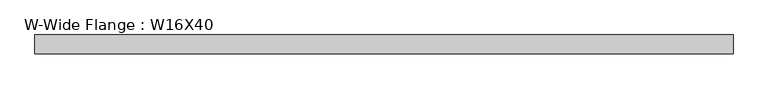
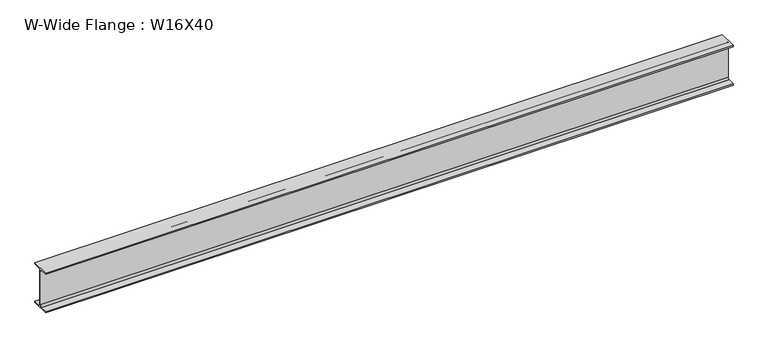
"""IFC4 building model written with IfcOpenShell, lengths in millimetres: beam geometry, W-Wide Flange : W16X40."""

import ifcopenshell
import ifcopenshell.guid

model = None  # the IFC model being written
_history = None  # IfcOwnerHistory: only IFC2X3 demands one
_inside = {}  # id of a spatial element -> (the spatial element, [elements in it])
_under = {}  # id of a project, library or spatial element -> (it, [spatial elements below it])
_declared = {}  # id of a project -> (the project, [libraries it declares])
_typed = {}  # id of a type object -> (the type object, [elements of that type])
_made_of = {}  # id of a material, layer set ... -> (it, [elements and type objects made of it])


def new_model(schema):
    """Start an empty IFC model of exactly this schema.

    Asked for "IFC4X3", IfcOpenShell would pick the latest addendum, in which some entities
    have other attributes; the version numbers below select the first issue.
    IFC2X3 requires an IfcOwnerHistory on every rooted entity: one is made here for all.
    """
    global model, _history
    if schema == "IFC4X3":
        model = ifcopenshell.file(schema_version=(4, 3, 0, 0))
    else:
        model = ifcopenshell.file(schema=schema)
    _inside.clear()
    _under.clear()
    _declared.clear()
    _typed.clear()
    _made_of.clear()
    _history = None
    if model.schema == "IFC2X3":
        org = make("IfcOrganization", Name="unknown")
        user = make(
            "IfcPersonAndOrganization",
            ThePerson=make("IfcPerson", FamilyName="unknown"),
            TheOrganization=org,
        )
        app = make(
            "IfcApplication",
            ApplicationDeveloper=org,
            Version="unknown",
            ApplicationFullName="unknown",
            ApplicationIdentifier="unknown",
        )
        _history = make(
            "IfcOwnerHistory",
            OwningUser=user,
            OwningApplication=app,
            ChangeAction="ADDED",
            CreationDate=0,
        )
    return model


def make(cls, **values):
    """One entity of the class cls with the attributes given. An attribute that is None is left unset."""
    return model.create_entity(
        cls, **{name: value for name, value in values.items() if value is not None}
    )


def rooted(cls, **values):
    """An entity with a GlobalId (a new one), such as an element, a storey or a relation."""
    return make(cls, GlobalId=ifcopenshell.guid.new(), OwnerHistory=_history, **values)


def si_unit(unit_type, name, prefix=None):
    """IfcSIUnit, for example si_unit("LENGTHUNIT", "METRE", prefix="MILLI")."""
    return make("IfcSIUnit", UnitType=unit_type, Prefix=prefix, Name=name)


def assignment(units):
    """IfcUnitAssignment: the units of a project."""
    return None if units is None else make("IfcUnitAssignment", Units=units)


def point(xyz):
    """IfcCartesianPoint."""
    return None if xyz is None else make("IfcCartesianPoint", Coordinates=xyz)


def direction(xyz):
    """IfcDirection."""
    return None if xyz is None else make("IfcDirection", DirectionRatios=xyz)


def frame(location, z_axis=None, x_axis=None):
    """IfcAxis2Placement3D, a coordinate frame: its origin and axes. An axis left out is left unset."""
    return make(
        "IfcAxis2Placement3D",
        Location=point(location),
        Axis=direction(z_axis),
        RefDirection=direction(x_axis),
    )


def frame_2d(location, x_axis=None):
    """IfcAxis2Placement2D, a coordinate frame in the plane: its origin and x axis."""
    return make(
        "IfcAxis2Placement2D", Location=point(location), RefDirection=direction(x_axis)
    )


def origin():
    """The frame at (0, 0, 0) with its axes left unset."""
    return frame((0.0, 0.0, 0.0))


def place(relative_to, where):
    """IfcLocalPlacement: puts the frame where relative to a parent placement (None: the world)."""
    return make(
        "IfcLocalPlacement", PlacementRelTo=relative_to, RelativePlacement=where
    )


def context(
    kind, dimensions, precision=None, world=None, true_north=None, identifier=None
):
    """IfcGeometricRepresentationContext, for example the 3D "Model" context."""
    return make(
        "IfcGeometricRepresentationContext",
        ContextIdentifier=identifier,
        ContextType=kind,
        CoordinateSpaceDimension=dimensions,
        Precision=precision,
        WorldCoordinateSystem=world,
        TrueNorth=true_north,
    )


def project(units=None, contexts=None):
    """IfcProject with its units and contexts."""
    return rooted(
        "IfcProject",
        Name="project",
        RepresentationContexts=contexts,
        UnitsInContext=assignment(units),
    )


def spatial(cls, under=None, at=None, **own):
    """A site, building, storey or space (cls), placed at a placement, below another one or the project."""
    s = rooted(cls, ObjectPlacement=at, **own)
    if under is not None:
        _under.setdefault(under.id(), (under, []))[1].append(s)
    return s


def polyline(points):
    """IfcPolyline through the points."""
    return make("IfcPolyline", Points=[point(p) for p in points])


def circle_curve(where, radius):
    """IfcCircle in the frame where."""
    return make("IfcCircle", Position=where, Radius=radius)


def trimmed(basis, trim1, trim2, sense, master):
    """IfcTrimmedCurve: the piece of a basis curve between two trims."""
    return make(
        "IfcTrimmedCurve",
        BasisCurve=basis,
        Trim1=trim1,
        Trim2=trim2,
        SenseAgreement=sense,
        MasterRepresentation=master,
    )


def segment(curve, same_sense, transition):
    """IfcCompositeCurveSegment."""
    return make(
        "IfcCompositeCurveSegment",
        Transition=transition,
        SameSense=same_sense,
        ParentCurve=curve,
    )


def composite_curve(segments, self_intersect=None):
    """IfcCompositeCurve: segments joined end to end."""
    return make("IfcCompositeCurve", Segments=segments, SelfIntersect=self_intersect)


def outline(outer, holes=None, kind="AREA"):
    """IfcArbitraryClosedProfileDef: a profile drawn as a closed curve; with holes, ...WithVoids."""
    if holes is None:
        return make("IfcArbitraryClosedProfileDef", ProfileType=kind, OuterCurve=outer)
    return make(
        "IfcArbitraryProfileDefWithVoids",
        ProfileType=kind,
        OuterCurve=outer,
        InnerCurves=holes,
    )


def extrude(swept, where, along, depth):
    """IfcExtrudedAreaSolid: the profile swept, set in the frame where, extruded along a direction by depth."""
    return make(
        "IfcExtrudedAreaSolid",
        SweptArea=swept,
        Position=where,
        ExtrudedDirection=direction(along),
        Depth=depth,
    )


def shape(context_of_items, identifier, shape_type, items):
    """IfcShapeRepresentation: the items that make up one representation, for example the "Body"."""
    return make(
        "IfcShapeRepresentation",
        ContextOfItems=context_of_items,
        RepresentationIdentifier=identifier,
        RepresentationType=shape_type,
        Items=items,
    )


def source(mapping_origin, context_of_items, identifier, shape_type, items):
    """IfcRepresentationMap: a shape defined once, which mapped items show again and again."""
    return make(
        "IfcRepresentationMap",
        MappingOrigin=mapping_origin,
        MappedRepresentation=shape(context_of_items, identifier, shape_type, items),
    )


def transform(
    local_origin,
    x_axis=None,
    y_axis=None,
    z_axis=None,
    scale=None,
    scale2=None,
    scale3=None,
    uniform=True,
):
    """IfcCartesianTransformationOperator3D, or its non-uniform kind. x_axis, y_axis, z_axis: its Axis1, 2, 3."""
    if uniform:
        return make(
            "IfcCartesianTransformationOperator3D",
            Axis1=direction(x_axis),
            Axis2=direction(y_axis),
            LocalOrigin=point(local_origin),
            Scale=scale,
            Axis3=direction(z_axis),
        )
    return make(
        "IfcCartesianTransformationOperator3DnonUniform",
        Axis1=direction(x_axis),
        Axis2=direction(y_axis),
        LocalOrigin=point(local_origin),
        Scale=scale,
        Axis3=direction(z_axis),
        Scale2=scale2,
        Scale3=scale3,
    )


def mapped(mapping_source, mapping_target):
    """IfcMappedItem: shows the shape of a source again, moved by a transform."""
    return make(
        "IfcMappedItem", MappingSource=mapping_source, MappingTarget=mapping_target
    )


def made_of(thing, what):
    """Note that an element or type object is made of a material, layer set ...; save() writes the relation."""
    if what is not None:
        _made_of.setdefault(what.id(), (what, []))[1].append(thing)
    return thing


def element(
    cls,
    number,
    at=None,
    inside=None,
    cuts=None,
    type_object=None,
    material=None,
    context=None,
    identifier="Body",
    shape_type=None,
    held_by="IfcProductDefinitionShape",
    body=None,
    shapes=None,
    **own,
):
    """One element of the class cls, such as IfcWall. Its Tag is "e" and its number.

    at: its placement. inside: the storey or other place that contains it. cuts: it is an
    opening in that element (IfcRelVoidsElement). A single representation is given by context,
    identifier, shape_type and body (its items); several are given by shapes. held_by: the class
    of the entity that holds the representations. save() writes the other relations.
    """
    e = rooted(cls, Tag="e%d" % number, ObjectPlacement=at, **own)
    if body is not None:
        shapes = [shape(context, identifier, shape_type, body)]
    if shapes is not None:
        e.Representation = make(held_by, Representations=shapes)
    if inside is not None:
        _inside.setdefault(inside.id(), (inside, []))[1].append(e)
    if cuts is not None:
        rooted(
            "IfcRelVoidsElement", RelatingBuildingElement=cuts, RelatedOpeningElement=e
        )
    if type_object is not None:
        _typed.setdefault(type_object.id(), (type_object, []))[1].append(e)
    return made_of(e, material)


def aggregate(whole, parts):
    """IfcRelAggregates: a whole, such as a stair, and the parts it consists of."""
    return rooted("IfcRelAggregates", RelatingObject=whole, RelatedObjects=parts)


def save(model, path):
    """Write the relations noted so far, then the file.

    IfcRelAggregates (storeys below a building ...), IfcRelContainedInSpatialStructure (elements
    in a storey), IfcRelDefinesByType, IfcRelAssociatesMaterial and IfcRelDeclares: one each for
    every whole, place, type object, material and project.
    """
    for whole, parts in _under.values():
        aggregate(whole, parts)
    for where, things in _inside.values():
        rooted(
            "IfcRelContainedInSpatialStructure",
            RelatedElements=things,
            RelatingStructure=where,
        )
    for kind, things in _typed.values():
        rooted("IfcRelDefinesByType", RelatedObjects=things, RelatingType=kind)
    for what, things in _made_of.values():
        rooted("IfcRelAssociatesMaterial", RelatedObjects=things, RelatingMaterial=what)
    for by, libraries in _declared.values():
        rooted("IfcRelDeclares", RelatingContext=by, RelatedDefinitions=libraries)
    model.write(path)


def w_wide_flange_w16x40_1b4f8b8e(model_context):
    return source(origin(), model_context, "Body", "SweptSolid", [
        extrude(outline(composite_curve([segment(polyline([(-88.9, -190.4), (-21.25, -190.4)]), True, "CONTINUOUS"), segment(trimmed(circle_curve(frame_2d((-21.25, -173.0)), 17.4), [point((-21.25, -190.4))], [point((-3.85, -173.0))], True, "CARTESIAN"), True, "CONTINUOUS"), segment(polyline([(-3.85, -173.0), (-3.85, 173.0)]), True, "CONTINUOUS"), segment(trimmed(circle_curve(frame_2d((-21.25, 173.0)), 17.4), [point((-3.85, 173.0))], [point((-21.25, 190.4))], True, "CARTESIAN"), True, "CONTINUOUS"), segment(polyline([(-21.25, 190.4), (-88.9, 190.4), (-88.9, 203.2), (88.9, 203.2), (88.9, 190.4), (21.25, 190.4)]), True, "CONTINUOUS"), segment(trimmed(circle_curve(frame_2d((21.25, 173.0)), 17.4), [point((21.25, 190.4))], [point((3.85, 173.0))], True, "CARTESIAN"), True, "CONTINUOUS"), segment(polyline([(3.85, 173.0), (3.85, -173.0)]), True, "CONTINUOUS"), segment(trimmed(circle_curve(frame_2d((21.25, -173.0)), 17.4), [point((3.85, -173.0))], [point((21.25, -190.4))], True, "CARTESIAN"), True, "CONTINUOUS"), segment(polyline([(21.25, -190.4), (88.9, -190.4), (88.9, -203.2), (-88.9, -203.2), (-88.9, -190.4)]), True, "CONTINUOUS")], self_intersect=False)), frame((-443.266383, 0.0, 0.0), z_axis=(1.0, 0.0, 0.0), x_axis=(0.0, 1.0, 0.0)), (0.0, 0.0, 1.0), 6645.8785798),
    ])


if __name__ == "__main__":
    model = new_model("IFC4")
    model_context = context("Model", 3, world=origin())
    ifc_project = project(units=[si_unit("LENGTHUNIT", "METRE", prefix="MILLI")], contexts=[model_context])
    site = spatial("IfcSite", under=ifc_project)
    building = spatial("IfcBuilding", under=site)
    placement = place(None, origin())
    w_wide_flange_w16x40_shape = w_wide_flange_w16x40_1b4f8b8e(model_context)
    element("IfcBeam", 1, ObjectType="W-Wide Flange : W16X40", at=placement, inside=building, context=model_context, shape_type="MappedRepresentation", body=[
        mapped(w_wide_flange_w16x40_shape, transform((0.0, 0.0, 0.0), x_axis=(1.0, 0.0, 0.0), y_axis=(0.0, 1.0, 0.0), z_axis=(0.0, 0.0, 1.0))),
    ])
    save(model, "model.ifc")
